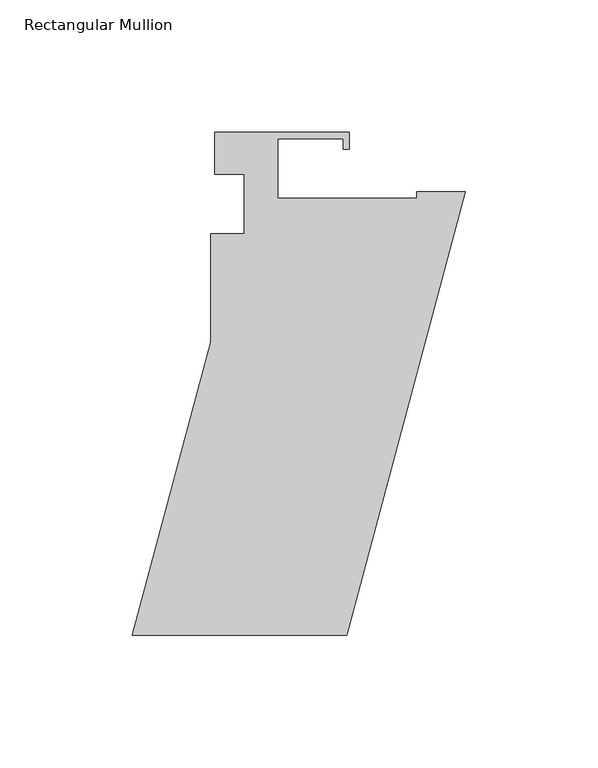
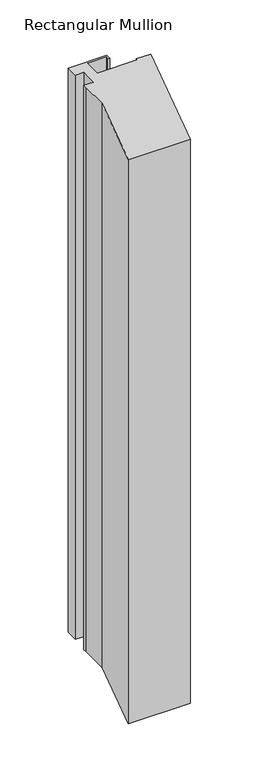
"""IFC4 building model written with IfcOpenShell, lengths in millimetres: member geometry, Rectangular Mullion."""

from ifc_helpers import new_model, si_unit, frame, origin, place, context, project, spatial, polyline, outline, extrude, source, transform, mapped, element, save


def rectangular_mullion_ca0ac2aa(model_context):
    return source(origin(), model_context, "Body", "SweptSolid", [
        extrude(outline(polyline([(-43.8882963, 20.8256188), (-43.8882963, 14.4756188), (-46.2504963, 14.4756188), (-46.2504963, 18.4634188), (-70.8630963, 18.4634188), (-70.8630963, -4.0409812), (-18.4882963, -4.0409812), (-18.4882963, -1.6533812), (0.0, -1.6533812), (-44.9194564, -169.2950748), (-125.9248093, -169.2950748), (-96.2630963, -58.5960549), (-96.2630963, -21.2875813), (-96.2630963, -17.5283813), (-83.5757963, -17.5283812), (-83.5757963, 4.9506188), (-94.6882963, 4.9506187), (-94.6882963, 20.8256187), (-43.8882963, 20.8256188)])), frame((0.0, 0.0, -779.1862205), z_axis=(0.0, 0.0, 1.0), x_axis=(1.0, 0.0, 0.0)), (0.0, 0.0, 1.0), 779.1862205),
    ])


if __name__ == "__main__":
    model = new_model("IFC4")
    model_context = context("Model", 3, world=origin())
    ifc_project = project(units=[si_unit("LENGTHUNIT", "METRE", prefix="MILLI")], contexts=[model_context])
    site = spatial("IfcSite", under=ifc_project)
    building = spatial("IfcBuilding", under=site)
    placement = place(None, origin())
    rectangular_mullion_shape = rectangular_mullion_ca0ac2aa(model_context)
    element("IfcMember", 1, ObjectType="Rectangular Mullion", at=placement, inside=building, context=model_context, shape_type="MappedRepresentation", body=[
        mapped(rectangular_mullion_shape, transform((0.0, 0.0, 0.0), x_axis=(1.0, 0.0, 0.0), y_axis=(0.0, 1.0, 0.0), z_axis=(0.0, 0.0, 1.0))),
    ])
    save(model, "model.ifc")
